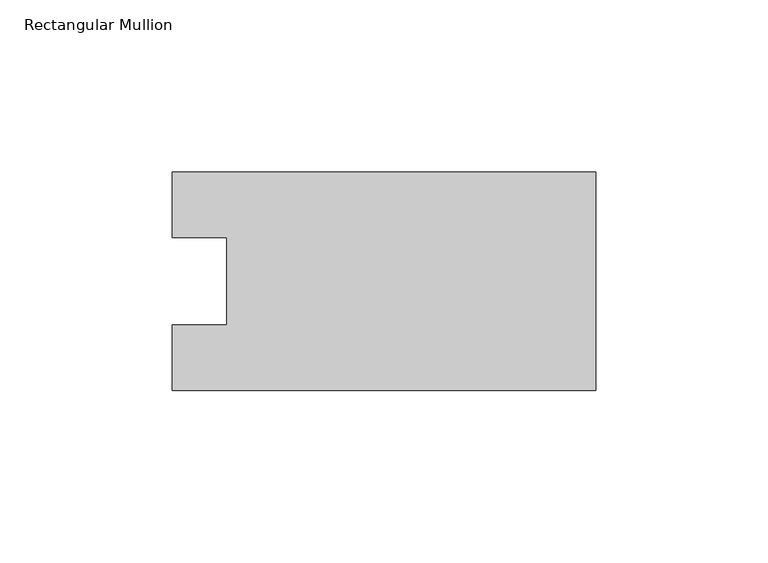
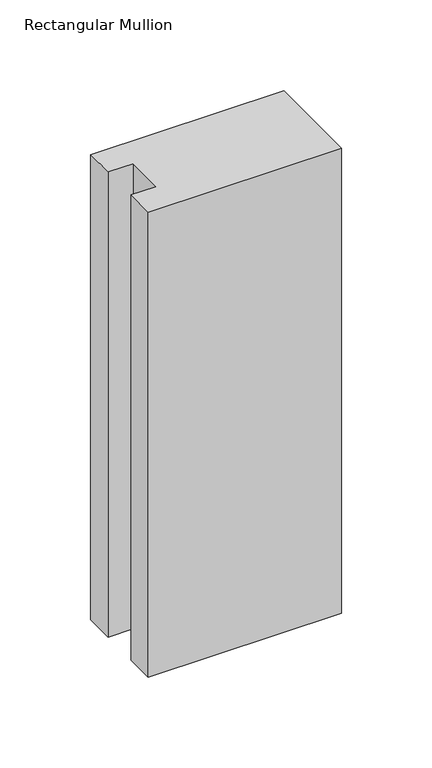
"""IFC4 building model written with IfcOpenShell, lengths in millimetres: member geometry, Rectangular Mullion."""

from ifc_helpers import new_model, si_unit, frame, origin, place, context, project, spatial, polyline, outline, extrude, source, transform, mapped, element, save


def rectangular_mullion_a366e2bd(model_context):
    return source(origin(), model_context, "Body", "SweptSolid", [
        extrude(outline(polyline([(-122.9357968, -31.7489583), (-122.9357968, -12.7), (-107.0607968, -12.7), (-107.0607968, 12.7), (-122.9357968, 12.7), (-122.9357968, 31.7489583), (0.0, 31.7489583), (0.0, -31.7489583), (-122.9357968, -31.7489583)])), frame((0.0, 0.0, -312.8264), z_axis=(0.0, 0.0, 1.0), x_axis=(1.0, 0.0, 0.0)), (0.0, 0.0, 1.0), 312.8264),
    ])


if __name__ == "__main__":
    model = new_model("IFC4")
    model_context = context("Model", 3, world=origin())
    ifc_project = project(units=[si_unit("LENGTHUNIT", "METRE", prefix="MILLI")], contexts=[model_context])
    site = spatial("IfcSite", under=ifc_project)
    building = spatial("IfcBuilding", under=site)
    placement = place(None, origin())
    rectangular_mullion_shape = rectangular_mullion_a366e2bd(model_context)
    element("IfcMember", 1, ObjectType="Rectangular Mullion", at=placement, inside=building, context=model_context, shape_type="MappedRepresentation", body=[
        mapped(rectangular_mullion_shape, transform((0.0, 0.0, 0.0), x_axis=(1.0, 0.0, 0.0), y_axis=(0.0, 1.0, 0.0), z_axis=(0.0, 0.0, 1.0))),
    ])
    save(model, "model.ifc")
